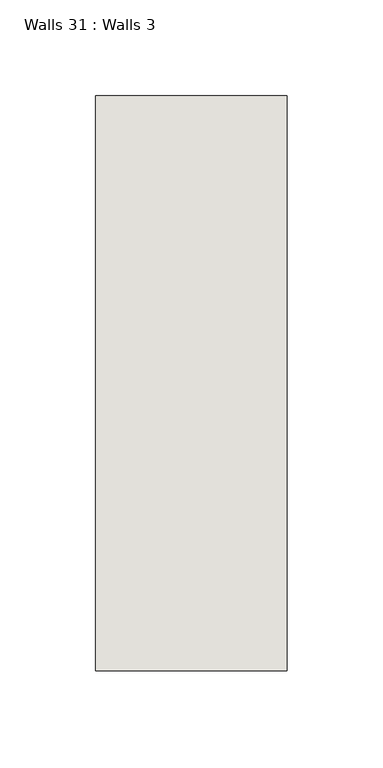
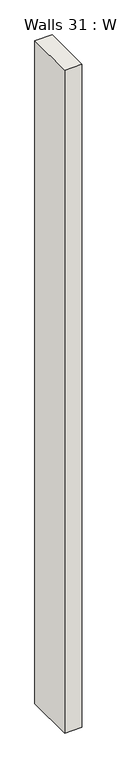
"""IFC4 building model written with IfcOpenShell, lengths in millimetres: wall geometry, Walls 31 : Walls 3."""

from ifc_helpers import new_model, si_unit, origin, origin_with_axes, place, context, project, spatial, polyline, outline, extrude, source, transform, mapped, element, save


def walls_31_walls_3_646113e8(model_context):
    return source(origin(), model_context, "Body", "SweptSolid", [
        extrude(outline(polyline([(-3012.3812655, 1518.41264), (-3012.3812655, 1818.41264), (-2912.3812655, 1818.41264), (-2912.3812655, 1518.41264), (-3012.3812655, 1518.41264)])), origin_with_axes(), (0.0, 0.0, 1.0), 4085.1192828),
    ])


if __name__ == "__main__":
    model = new_model("IFC4")
    model_context = context("Model", 3, world=origin())
    ifc_project = project(units=[si_unit("LENGTHUNIT", "METRE", prefix="MILLI")], contexts=[model_context])
    site = spatial("IfcSite", under=ifc_project)
    building = spatial("IfcBuilding", under=site)
    placement = place(None, origin())
    walls_31_walls_3_shape = walls_31_walls_3_646113e8(model_context)
    element("IfcWall", 1, ObjectType="Walls 31 : Walls 3", at=placement, inside=building, context=model_context, shape_type="MappedRepresentation", body=[
        mapped(walls_31_walls_3_shape, transform((0.0, 0.0, 0.0), x_axis=(1.0, 0.0, 0.0), y_axis=(0.0, 1.0, 0.0), z_axis=(0.0, 0.0, 1.0))),
    ])
    save(model, "model.ifc")
